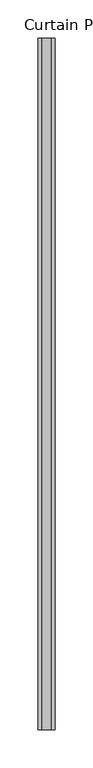
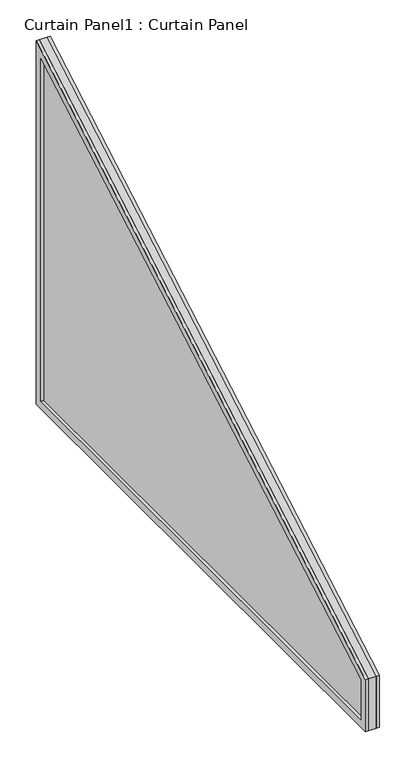
"""IFC4 building model written with IfcOpenShell, lengths in millimetres: plate geometry, Curtain Panel1 : Curtain Panel."""

from ifc_helpers import new_model, si_unit, frame, origin, place, context, project, spatial, polyline, outline, extrude, source, transform, mapped, element, save


def curtain_panel1_curtain_panel_bcd6d321(model_context):
    return source(origin(), model_context, "Body", "SweptSolid", [
        extrude(outline(polyline([(-13121.7860585, 1200.623077), (-13121.7860585, 1288.0150489), (-12212.9764438, 1812.7165246), (-12212.9764438, 1200.623077), (-13121.7860585, 1200.623077)]), holes=[polyline([(-12225.6399125, 1213.2865457), (-12225.6399125, 1790.7827535), (-13109.1225898, 1280.7037919), (-13109.1225898, 1213.2865457), (-12225.6399125, 1213.2865457)])]), frame((12084.7732876, 0.0, 0.0), z_axis=(1.0, 0.0, 0.0), x_axis=(0.0, 1.0, 0.0)), (0.0, 0.0, 1.0), 4.7104426),
        extrude(outline(polyline([(-13121.7860585, 1200.623077), (-13121.7860585, 1288.0150489), (-12212.9764438, 1812.7165246), (-12212.9764438, 1200.623077), (-13121.7860585, 1200.623077)]), holes=[polyline([(-12225.6399125, 1213.2865457), (-12225.6399125, 1790.7827535), (-13109.1225898, 1280.7037919), (-13109.1225898, 1213.2865457), (-12225.6399125, 1213.2865457)])]), frame((12102.5024876, 0.0, 0.0), z_axis=(1.0, 0.0, 0.0), x_axis=(0.0, 1.0, 0.0)), (0.0, 0.0, 1.0), 4.7104426),
        extrude(outline(polyline([(-13121.7860585, 1200.623077), (-13121.7860585, 1288.0150489), (-12212.9764438, 1812.7165246), (-12212.9764438, 1200.623077), (-13121.7860585, 1200.623077)])), frame((12089.5562916, 0.0, 0.0), z_axis=(1.0, 0.0, 0.0), x_axis=(0.0, 1.0, 0.0)), (0.0, 0.0, 1.0), 13.0187574),
    ])


if __name__ == "__main__":
    model = new_model("IFC4")
    model_context = context("Model", 3, world=origin())
    ifc_project = project(units=[si_unit("LENGTHUNIT", "METRE", prefix="MILLI")], contexts=[model_context])
    site = spatial("IfcSite", under=ifc_project)
    building = spatial("IfcBuilding", under=site)
    placement = place(None, origin())
    curtain_panel1_curtain_panel_shape = curtain_panel1_curtain_panel_bcd6d321(model_context)
    element("IfcPlate", 1, ObjectType="Curtain Panel1 : Curtain Panel", at=placement, inside=building, context=model_context, shape_type="MappedRepresentation", body=[
        mapped(curtain_panel1_curtain_panel_shape, transform((0.0, 0.0, 0.0), x_axis=(1.0, 0.0, 0.0), y_axis=(0.0, 1.0, 0.0), z_axis=(0.0, 0.0, 1.0))),
    ])
    save(model, "model.ifc")
